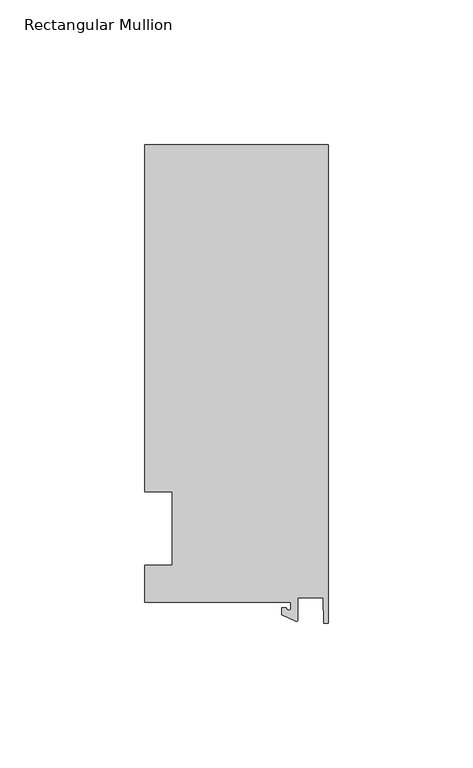
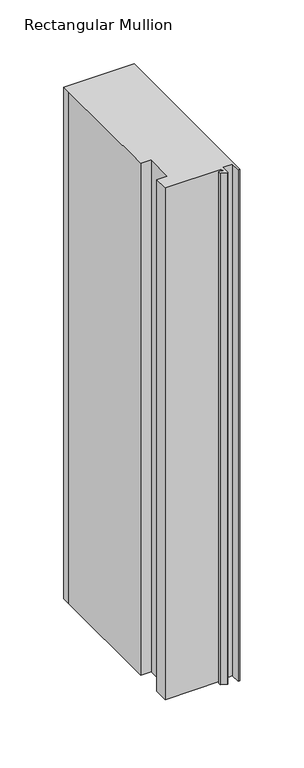
"""IFC4 building model written with IfcOpenShell, lengths in millimetres: member geometry, Rectangular Mullion."""

from ifc_helpers import new_model, si_unit, point, frame, frame_2d, origin, place, context, project, spatial, polyline, circle_curve, trimmed, segment, composite_curve, outline, extrude, source, transform, mapped, element, save


def rectangular_mullion_b5b41315(model_context):
    return source(origin(), model_context, "Body", "SweptSolid", [
        extrude(outline(composite_curve([segment(polyline([(-12.8216721, -25.5984375), (-63.5, -25.5984375), (-63.5, -12.7), (-53.975, -12.7), (-53.975, 12.7), (-63.5, 12.7), (-63.5, 125.075512), (-63.5, 132.822512), (0.0, 132.822512), (0.0, -32.810012), (-1.5566453, -32.810012), (-1.7144124, -23.9227662), (-10.4340721, -23.9227662), (-10.4340721, -31.6795354)]), True, "CONTINUOUS"), segment(trimmed(circle_curve(frame_2d((-10.9420721, -31.6795354)), 0.508), [point((-10.4340721, -31.6795354))], [point((-11.1567622, -32.1399398))], False, "CARTESIAN"), True, "CONTINUOUS"), segment(polyline([(-11.1567622, -32.1399398), (-15.9966721, -29.8830527), (-15.9966721, -27.5208534), (-14.4091721, -27.5208534)]), True, "CONTINUOUS"), segment(trimmed(circle_curve(frame_2d((-13.6154221, -27.5208534)), 0.79375), [point((-14.4091721, -27.5208534))], [point((-12.8216721, -27.5208534))], True, "CARTESIAN"), True, "CONTINUOUS"), segment(polyline([(-12.8216721, -27.5208534), (-12.8216721, -25.5984375)]), True, "CONTINUOUS")], self_intersect=False)), frame((0.0, 0.0, -488.95), z_axis=(0.0, 0.0, 1.0), x_axis=(1.0, 0.0, 0.0)), (0.0, 0.0, 1.0), 488.95),
    ])


if __name__ == "__main__":
    model = new_model("IFC4")
    model_context = context("Model", 3, world=origin())
    ifc_project = project(units=[si_unit("LENGTHUNIT", "METRE", prefix="MILLI")], contexts=[model_context])
    site = spatial("IfcSite", under=ifc_project)
    building = spatial("IfcBuilding", under=site)
    placement = place(None, origin())
    rectangular_mullion_shape = rectangular_mullion_b5b41315(model_context)
    element("IfcMember", 1, ObjectType="Rectangular Mullion", at=placement, inside=building, context=model_context, shape_type="MappedRepresentation", body=[
        mapped(rectangular_mullion_shape, transform((0.0, 0.0, 0.0), x_axis=(1.0, 0.0, 0.0), y_axis=(0.0, 1.0, 0.0), z_axis=(0.0, 0.0, 1.0))),
    ])
    save(model, "model.ifc")
